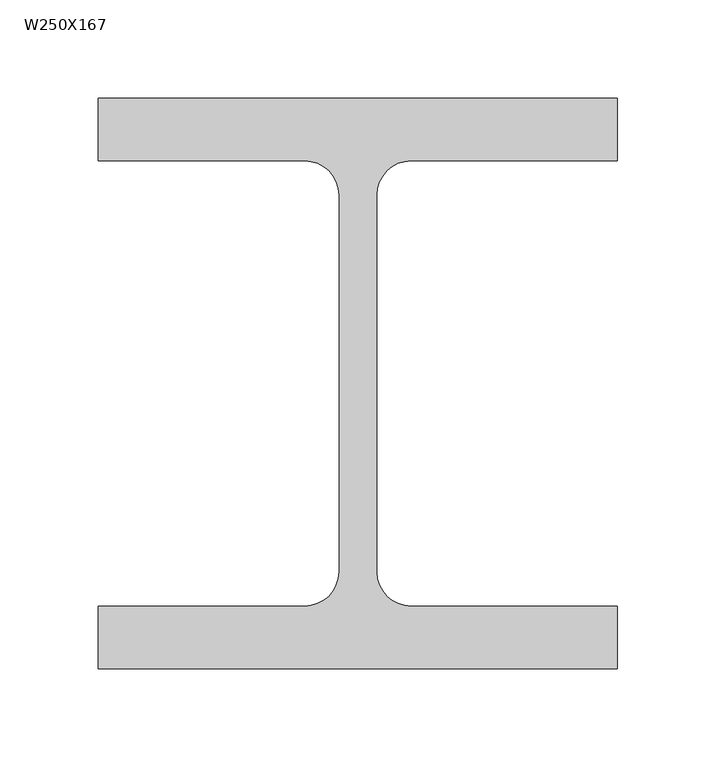
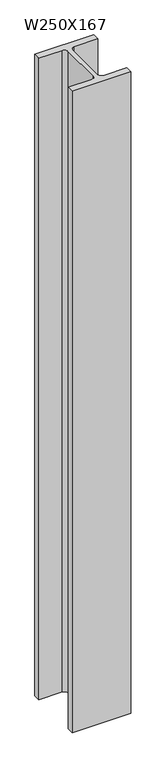
"""IFC4 building model written with IfcOpenShell, lengths in millimetres: column geometry, W250X167."""

from ifc_helpers import new_model, si_unit, point, frame_2d, origin, origin_with_axes, place, context, project, spatial, polyline, circle_curve, trimmed, segment, composite_curve, outline, extrude, source, transform, mapped, element, save


def w250x167_7550a0c2(model_context):
    return source(origin(), model_context, "Body", "SweptSolid", [
        extrude(outline(composite_curve([segment(polyline([(132.0, 145.0), (132.0, 113.2), (27.0, 113.2)]), True, "CONTINUOUS"), segment(trimmed(circle_curve(frame_2d((27.0, 95.8)), 17.4), [point((27.0, 113.2))], [point((9.6, 95.8))], True, "CARTESIAN"), True, "CONTINUOUS"), segment(polyline([(9.6, 95.8), (9.6, -95.8)]), True, "CONTINUOUS"), segment(trimmed(circle_curve(frame_2d((27.0, -95.8)), 17.4), [point((9.6, -95.8))], [point((27.0, -113.2))], True, "CARTESIAN"), True, "CONTINUOUS"), segment(polyline([(27.0, -113.2), (132.0, -113.2), (132.0, -145.0), (-132.0, -145.0), (-132.0, -113.2), (-27.0, -113.2)]), True, "CONTINUOUS"), segment(trimmed(circle_curve(frame_2d((-27.0, -95.8)), 17.4), [point((-27.0, -113.2))], [point((-9.6, -95.8))], True, "CARTESIAN"), True, "CONTINUOUS"), segment(polyline([(-9.6, -95.8), (-9.6, 95.8)]), True, "CONTINUOUS"), segment(trimmed(circle_curve(frame_2d((-27.0, 95.8)), 17.4), [point((-9.6, 95.8))], [point((-27.0, 113.2))], True, "CARTESIAN"), True, "CONTINUOUS"), segment(polyline([(-27.0, 113.2), (-132.0, 113.2), (-132.0, 145.0), (132.0, 145.0)]), True, "CONTINUOUS")], self_intersect=False)), origin_with_axes(), (0.0, 0.0, 1.0), 3048.0),
    ])


if __name__ == "__main__":
    model = new_model("IFC4")
    model_context = context("Model", 3, world=origin())
    ifc_project = project(units=[si_unit("LENGTHUNIT", "METRE", prefix="MILLI")], contexts=[model_context])
    site = spatial("IfcSite", under=ifc_project)
    building = spatial("IfcBuilding", under=site)
    placement = place(None, origin())
    w250x167_shape = w250x167_7550a0c2(model_context)
    element("IfcColumn", 1, ObjectType="W250X167", at=placement, inside=building, context=model_context, shape_type="MappedRepresentation", body=[
        mapped(w250x167_shape, transform((0.0, 0.0, 0.0), x_axis=(1.0, 0.0, 0.0), y_axis=(0.0, 1.0, 0.0), z_axis=(0.0, 0.0, 1.0))),
    ])
    save(model, "model.ifc")
